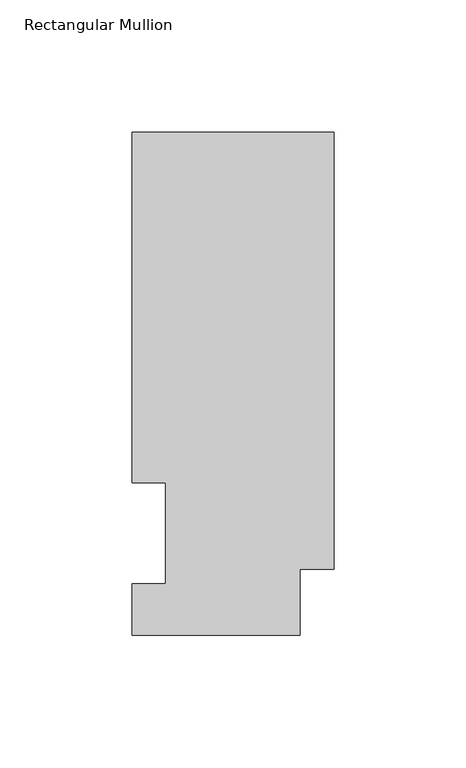
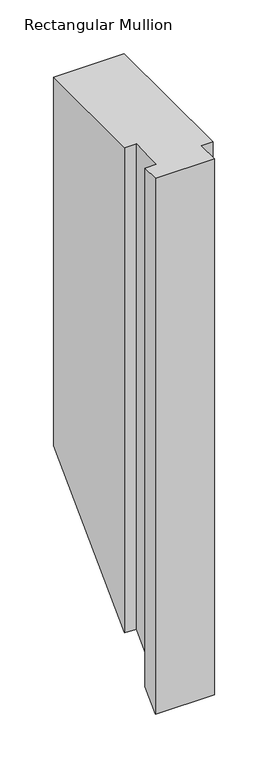
"""IFC4 building model written with IfcOpenShell, lengths in millimetres: member geometry, Rectangular Mullion."""

from ifc_helpers import new_model, si_unit, origin, place, context, project, spatial, faceted_brep, source, transform, mapped, element, save


def rectangular_mullion_49af23e1(model_context):
    return source(origin(), model_context, "Body", "Brep", [
        faceted_brep([(0.0, 190.0816937, 0.0), (-76.2, 190.0816937, 0.0), (-76.2, 57.6460937, 0.0), (-63.5, 57.6460937, 0.0), (-63.5, 19.5460937, 0.0), (-76.2, 19.5460937, 0.0), (-76.2, 0.0134937, 0.0), (-12.7, 0.0134937, 0.0), (-12.7, 25.0832937, 0.0), (0.0, 25.0832937, 0.0), (0.0, 190.0816937, -419.5183063), (-76.2, 190.0816937, -419.5183063), (-76.2, 57.6460937, -551.9539063), (-63.5, 57.6460937, -551.9539063), (-63.5, 19.5460937, -590.0539063), (-76.2, 19.5460937, -590.0539063), (-76.2, 0.0134937, -609.5865063), (-12.7, 0.0134937, -609.5865063), (-12.7, 25.0832937, -584.5167063), (0.0, 25.0832937, -584.5167063)], [[[0, 1, 2, 3, 4, 5, 6, 7, 8, 9]], [[1, 0, 10, 11]], [[2, 1, 11, 12]], [[3, 2, 12, 13]], [[4, 3, 13, 14]], [[5, 4, 14, 15]], [[6, 5, 15, 16]], [[7, 6, 16, 17]], [[8, 7, 17, 18]], [[9, 8, 18, 19]], [[0, 9, 19, 10]], [[10, 19, 18, 17, 16, 15, 14, 13, 12, 11]]]),
    ])


if __name__ == "__main__":
    model = new_model("IFC4")
    model_context = context("Model", 3, world=origin())
    ifc_project = project(units=[si_unit("LENGTHUNIT", "METRE", prefix="MILLI")], contexts=[model_context])
    site = spatial("IfcSite", under=ifc_project)
    building = spatial("IfcBuilding", under=site)
    placement = place(None, origin())
    rectangular_mullion_shape = rectangular_mullion_49af23e1(model_context)
    element("IfcMember", 1, ObjectType="Rectangular Mullion", at=placement, inside=building, context=model_context, shape_type="MappedRepresentation", body=[
        mapped(rectangular_mullion_shape, transform((0.0, 0.0, 0.0), x_axis=(1.0, 0.0, 0.0), y_axis=(0.0, 1.0, 0.0), z_axis=(0.0, 0.0, 1.0))),
    ])
    save(model, "model.ifc")
